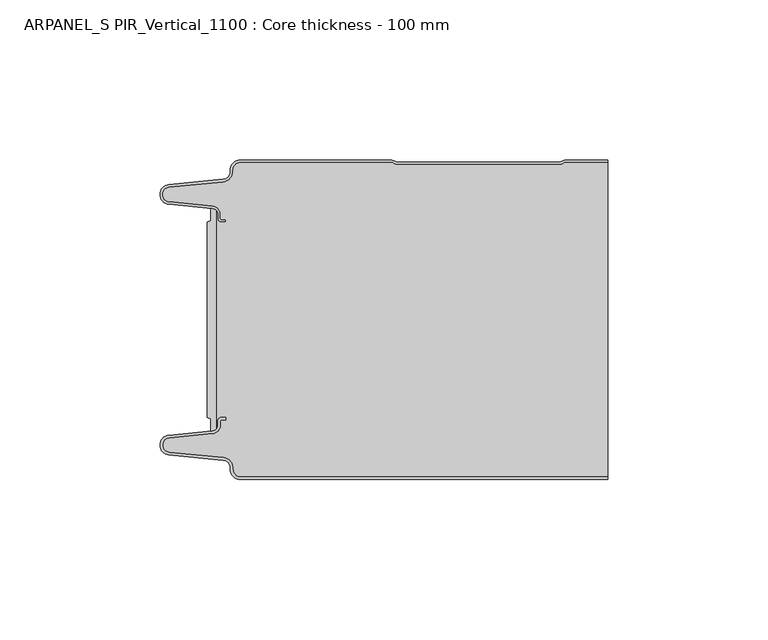
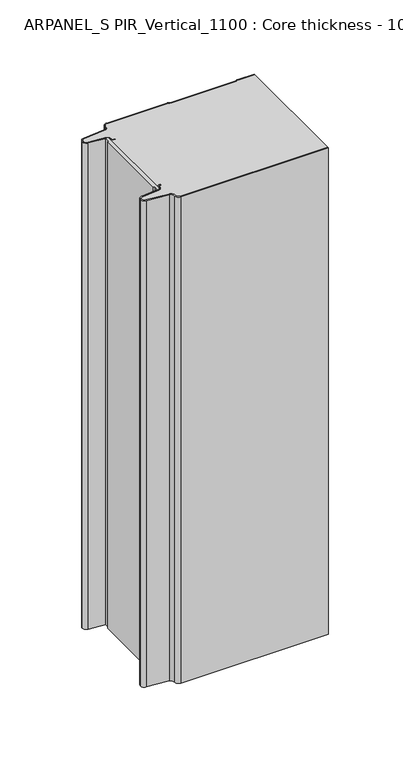
"""IFC4 building model written with IfcOpenShell, lengths in millimetres: plate geometry, ARPANEL_S PIR_Vertical_1100 : Core thickness - 100 mm."""

from ifc_helpers import new_model, si_unit, point, frame, frame_2d, origin, origin_with_axes, place, context, project, spatial, polyline, circle_curve, trimmed, segment, composite_curve, outline, extrude, source, transform, mapped, element, save
from ifc_brep_helpers import plane_surface, cylinder_surface, revolved_surface, advanced_brep


def arpanel_s_pir_vertical_1100_core_thickness_100_mm_d10c40ad(model_context):
    return source(origin(), model_context, "Body", "SolidModel", [
        extrude(outline(composite_curve([segment(polyline([(-55.2854621, -19.4639745), (-54.0682893, -19.0209598), (-54.0682893, -15.20918)]), True, "CONTINUOUS"), segment(trimmed(circle_curve(frame_2d((-53.9194754, -17.302662)), 2.0987645), [point((-54.0682893, -15.20918))], [point((-52.4659308, -15.7887199))], False, "CARTESIAN"), True, "CONTINUOUS"), segment(polyline([(-52.4659308, -15.7887199), (-52.4659308, -84.2112801)]), True, "CONTINUOUS"), segment(trimmed(circle_curve(frame_2d((-53.9194754, -82.697338)), 2.0987645), [point((-52.4659308, -84.2112801))], [point((-54.0682893, -84.79082))], False, "CARTESIAN"), True, "CONTINUOUS"), segment(polyline([(-54.0682893, -84.79082), (-54.0682893, -80.9790402), (-55.2854621, -80.5360255), (-55.2854621, -19.4639745)]), True, "CONTINUOUS")], self_intersect=False)), origin_with_axes(), (0.0, 0.0, 1.0), 400.0),
        advanced_brep(
        [(-44.8000003, -99.9996949, 0.0), (-47.9923632, -96.5787437, 0.0), (-50.2560431, -93.9171154, 0.0), (-67.2115315, -92.2546153, 0.0), (-69.9999998, -89.1776715, 0.0), (-67.2115315, -86.1007278, 0.0), (-53.6195785, -84.7680252, 0.0), (-51.9952277, -82.9766159, 0.0), (-51.9952277, -81.8996949, 0.0), (-50.5952277, -80.4996949, 0.0), (-49.4952277, -80.4996949, 0.0), (-49.4952277, -81.2996949, 0.0), (-50.5952277, -81.2996949, 0.0), (-51.1952277, -81.8996949, 0.0), (-51.1952277, -82.9766159, 0.0), (-53.5415122, -85.5642071, 0.0), (-67.1334652, -86.8969097, 0.0), (-69.1999997, -89.1776715, 0.0), (-67.1334652, -91.4584333, 0.0), (-50.1779767, -93.1209335, 0.0), (-47.2078761, -96.6330399, 0.0), (-44.8000003, -99.1996949, 0.0), (69.9999998, -99.2, 0.0), (69.9999998, -99.9996949, 0.0), (-44.8000003, -99.1996949, 400.0), (-47.1942724, -96.6339815, 400.0), (-50.1779767, -93.1209335, 400.0), (-67.1334652, -91.4584333, 400.0), (-69.1999997, -89.1776715, 400.0), (-67.1334652, -86.8969097, 400.0), (-53.5415122, -85.5642071, 400.0), (-51.1952277, -82.9766159, 400.0), (-51.1952277, -81.8996949, 400.0), (-50.5952277, -81.2996949, 400.0), (-49.4952277, -81.2996949, 400.0), (-49.4952277, -80.4996949, 400.0), (-50.5952277, -80.4996949, 400.0), (-51.9952277, -81.8996949, 400.0), (-51.9952277, -82.9766159, 400.0), (-53.6195785, -84.7680252, 400.0), (-67.2115315, -86.1007278, 400.0), (-69.9999998, -89.1776715, 400.0), (-67.2115315, -92.2546153, 400.0), (-50.2560431, -93.9171154, 400.0), (-48.0059668, -96.5778021, 400.0), (-44.8000003, -99.9996949, 400.0), (69.9999998, -99.9996949, 400.0), (69.9999998, -99.2, 400.0)],
        [
            (0, 1, circle_curve(frame((-44.8000003, -96.7996949, 0.0), z_axis=(0.0, 0.0, -1.0), x_axis=(1.0, 0.0, 0.0)), 3.2)),
            (1, 2, circle_curve(frame((-50.5000003, -96.4051839, 0.0), z_axis=(0.0, 0.0, 1.0), x_axis=(1.0, 0.0, 0.0)), 2.5)),
            (2, 3),
            (3, 4, circle_curve(frame((-66.9100003, -89.1793626, 0.0), z_axis=(0.0, 0.0, -1.0), x_axis=(1.0, 0.0, 0.0)), 3.09)),
            (4, 5, circle_curve(frame((-66.9100003, -89.1759805, 0.0), z_axis=(0.0, 0.0, -1.0), x_axis=(1.0, 0.0, 0.0)), 3.09)),
            (5, 6),
            (6, 7, circle_curve(frame((-53.7952277, -82.9766159, 0.0), z_axis=(0.0, 0.0, 1.0), x_axis=(1.0, 0.0, 0.0)), 1.8)),
            (7, 8),
            (8, 9, circle_curve(frame((-50.5952277, -81.8996949, 0.0), z_axis=(0.0, 0.0, -1.0), x_axis=(1.0, 0.0, 0.0)), 1.4)),
            (9, 10),
            (10, 11),
            (11, 12),
            (12, 13, circle_curve(frame((-50.5952277, -81.8996949, 0.0), z_axis=(0.0, 0.0, 1.0), x_axis=(1.0, 0.0, 0.0)), 0.6)),
            (13, 14),
            (14, 15, circle_curve(frame((-53.7952277, -82.9766159, 0.0), z_axis=(0.0, 0.0, -1.0), x_axis=(1.0, 0.0, 0.0)), 2.6)),
            (15, 16),
            (16, 17, circle_curve(frame((-66.9100003, -89.1759805, 0.0), z_axis=(0.0, 0.0, 1.0), x_axis=(1.0, 0.0, 0.0)), 2.29)),
            (17, 18, circle_curve(frame((-66.9100003, -89.1793626, 0.0), z_axis=(0.0, 0.0, 1.0), x_axis=(1.0, 0.0, 0.0)), 2.29)),
            (18, 19),
            (19, 20, circle_curve(frame((-50.5000003, -96.4051839, 0.0), z_axis=(0.0, 0.0, -1.0), x_axis=(1.0, 0.0, 0.0)), 3.3)),
            (20, 21, circle_curve(frame((-44.8000003, -96.7996949, 0.0), z_axis=(0.0, 0.0, 1.0), x_axis=(1.0, 0.0, 0.0)), 2.4)),
            (21, 22),
            (22, 23),
            (23, 0),
            (24, 25, circle_curve(frame((-44.8000003, -96.7996949, 400.0), z_axis=(0.0, 0.0, -1.0), x_axis=(1.0, 0.0, 0.0)), 2.4)),
            (25, 26, circle_curve(frame((-50.5000003, -96.4051839, 400.0), z_axis=(0.0, 0.0, 1.0), x_axis=(1.0, 0.0, 0.0)), 3.3)),
            (26, 27),
            (27, 28, circle_curve(frame((-66.9100003, -89.1793626, 400.0), z_axis=(0.0, 0.0, -1.0), x_axis=(1.0, 0.0, 0.0)), 2.29)),
            (28, 29, circle_curve(frame((-66.9100003, -89.1759805, 400.0), z_axis=(0.0, 0.0, -1.0), x_axis=(1.0, 0.0, 0.0)), 2.29)),
            (29, 30),
            (30, 31, circle_curve(frame((-53.7952277, -82.9766159, 400.0), z_axis=(0.0, 0.0, 1.0), x_axis=(1.0, 0.0, 0.0)), 2.6)),
            (31, 32),
            (32, 33, circle_curve(frame((-50.5952277, -81.8996949, 400.0), z_axis=(0.0, 0.0, -1.0), x_axis=(1.0, 0.0, 0.0)), 0.6)),
            (33, 34),
            (34, 35),
            (35, 36),
            (36, 37, circle_curve(frame((-50.5952277, -81.8996949, 400.0), z_axis=(0.0, 0.0, 1.0), x_axis=(1.0, 0.0, 0.0)), 1.4)),
            (37, 38),
            (38, 39, circle_curve(frame((-53.7952277, -82.9766159, 400.0), z_axis=(0.0, 0.0, -1.0), x_axis=(1.0, 0.0, 0.0)), 1.8)),
            (39, 40),
            (40, 41, circle_curve(frame((-66.9100003, -89.1759805, 400.0), z_axis=(0.0, 0.0, 1.0), x_axis=(1.0, 0.0, 0.0)), 3.09)),
            (41, 42, circle_curve(frame((-66.9100003, -89.1793626, 400.0), z_axis=(0.0, 0.0, 1.0), x_axis=(1.0, 0.0, 0.0)), 3.09)),
            (42, 43),
            (43, 44, circle_curve(frame((-50.5000003, -96.4051839, 400.0), z_axis=(0.0, 0.0, -1.0), x_axis=(1.0, 0.0, 0.0)), 2.5)),
            (44, 45, circle_curve(frame((-44.8000003, -96.7996949, 400.0), z_axis=(0.0, 0.0, 1.0), x_axis=(1.0, 0.0, 0.0)), 3.2)),
            (45, 46),
            (46, 47),
            (47, 24),
            (21, 24),
            (47, 22),
            (20, 25),
            (19, 26),
            (18, 27),
            (17, 28),
            (16, 29),
            (15, 30),
            (14, 31),
            (13, 32),
            (12, 33),
            (11, 34),
            (10, 35),
            (9, 36),
            (8, 37),
            (7, 38),
            (6, 39),
            (5, 40),
            (4, 41),
            (3, 42),
            (2, 43),
            (1, 44),
            (0, 45),
            (23, 46),
        ],
        [
            plane_surface(frame((-69.9999998, -100.0, 0.0), z_axis=(0.0, 0.0, -1.0), x_axis=(0.0, 1.0, 0.0))),
            plane_surface(frame((-69.9999998, -100.0, 400.0), z_axis=(0.0, 0.0, 1.0), x_axis=(0.0, 1.0, 0.0))),
            plane_surface(frame((-44.8000003, -99.2, 0.0), z_axis=(0.0, 1.0, 0.0), x_axis=(0.0, 0.0, 1.0))),
            revolved_surface(polyline([(-42.4000003, -96.7996949, 400.0), (-42.4000003, -96.7996949, 0.0)]), (-44.8000003, -96.7996949, 0.0), (0.0, 0.0, 1.0)),
            cylinder_surface(frame((-50.5000003, -96.4051839, 0.0), z_axis=(0.0, 0.0, -1.0), x_axis=(1.0, 0.0, 0.0)), 3.3),
            plane_surface(frame((-67.1334652, -91.4584333, 0.0), z_axis=(0.09758289975914758, 0.9952273999818314, 0.0), x_axis=(0.0, 0.0, 1.0))),
            revolved_surface(polyline([(-64.62000029999999, -89.1793626, 400.0), (-64.62000029999999, -89.1793626, 0.0)]), (-66.9100003, -89.1793626, 0.0), (0.0, 0.0, 1.0)),
            revolved_surface(polyline([(-64.62000029999999, -89.1759805, 400.0), (-64.62000029999999, -89.1759805, 0.0)]), (-66.9100003, -89.1759805, 0.0), (0.0, 0.0, 1.0)),
            plane_surface(frame((-53.5415122, -85.5642071, 0.0), z_axis=(0.09758289975914383, -0.9952273999818317, 0.0), x_axis=(0.0, 0.0, 1.0))),
            cylinder_surface(frame((-53.7952277, -82.9766159, 0.0), z_axis=(0.0, 0.0, -1.0), x_axis=(1.0, 0.0, 0.0)), 2.6),
            plane_surface(frame((-51.1952277, -81.8996949, 0.0), z_axis=(1.0, 0.0, 0.0), x_axis=(0.0, 0.0, 1.0))),
            revolved_surface(polyline([(-49.9952277, -81.8996949, 400.0), (-49.9952277, -81.8996949, 0.0)]), (-50.5952277, -81.8996949, 0.0), (0.0, 0.0, 1.0)),
            plane_surface(frame((-49.4952277, -81.2996949, 0.0), z_axis=(0.0, -1.0, 0.0), x_axis=(0.0, 0.0, 1.0))),
            plane_surface(frame((-49.4952277, -80.4996949, 0.0), z_axis=(1.0, 0.0, 0.0), x_axis=(0.0, 0.0, 1.0))),
            plane_surface(frame((-50.5952277, -80.4996949, 0.0), z_axis=(0.0, 1.0, 0.0), x_axis=(0.0, 0.0, 1.0))),
            cylinder_surface(frame((-50.5952277, -81.8996949, 0.0), z_axis=(0.0, 0.0, -1.0), x_axis=(1.0, 0.0, 0.0)), 1.4),
            plane_surface(frame((-51.9952277, -82.9766159, 0.0), z_axis=(-1.0, 0.0, 0.0), x_axis=(0.0, 0.0, 1.0))),
            revolved_surface(polyline([(-51.9952277, -82.9766159, 400.0), (-51.9952277, -82.9766159, 0.0)]), (-53.7952277, -82.9766159, 0.0), (0.0, 0.0, 1.0)),
            plane_surface(frame((-67.2115315, -86.1007278, 0.0), z_axis=(-0.09758289975914387, 0.9952273999818317, 0.0), x_axis=(0.0, 0.0, 1.0))),
            cylinder_surface(frame((-66.9100003, -89.1759805, 0.0), z_axis=(0.0, 0.0, -1.0), x_axis=(1.0, 0.0, 0.0)), 3.09),
            cylinder_surface(frame((-66.9100003, -89.1793626, 0.0), z_axis=(0.0, 0.0, -1.0), x_axis=(1.0, 0.0, 0.0)), 3.09),
            plane_surface(frame((-50.2560431, -93.9171154, 0.0), z_axis=(-0.09758289975914762, -0.9952273999818314, 0.0), x_axis=(0.0, 0.0, 1.0))),
            revolved_surface(polyline([(-48.0000003, -96.4051839, 400.0), (-48.0000003, -96.4051839, 0.0)]), (-50.5000003, -96.4051839, 0.0), (0.0, 0.0, 1.0)),
            cylinder_surface(frame((-44.8000003, -96.7996949, 0.0), z_axis=(0.0, 0.0, -1.0), x_axis=(1.0, 0.0, 0.0)), 3.2),
            plane_surface(frame((1046.009932, -99.9996949, 0.0), z_axis=(0.0, -1.0, 0.0), x_axis=(0.0, 0.0, 1.0))),
            plane_surface(frame((69.9999998, 180.0, 400.0), z_axis=(1.0, 0.0, 0.0), x_axis=(0.0, 0.0, -1.0))),
        ],
        [
            (0, [[1, 2, 3, 4, 5, 6, 7, 8, 9, 10, 11, 12, 13, 14, 15, 16, 17, 18, 19, 20, 21, 22, 23, 24]]),
            (1, [[25, 26, 27, 28, 29, 30, 31, 32, 33, 34, 35, 36, 37, 38, 39, 40, 41, 42, 43, 44, 45, 46, 47, 48]]),
            (2, [[49, -48, 50, -22]]),
            (3, [[-21, 51, -25, -49]]),
            (4, [[-20, 52, -26, -51]]),
            (5, [[-19, 53, -27, -52]]),
            (6, [[-18, 54, -28, -53]]),
            (7, [[-17, 55, -29, -54]]),
            (8, [[-16, 56, -30, -55]]),
            (9, [[-15, 57, -31, -56]]),
            (10, [[-14, 58, -32, -57]]),
            (11, [[-13, 59, -33, -58]]),
            (12, [[-12, 60, -34, -59]]),
            (13, [[-11, 61, -35, -60]]),
            (14, [[-10, 62, -36, -61]]),
            (15, [[-9, 63, -37, -62]]),
            (16, [[-8, 64, -38, -63]]),
            (17, [[-7, 65, -39, -64]]),
            (18, [[-6, 66, -40, -65]]),
            (19, [[-5, 67, -41, -66]]),
            (20, [[-4, 68, -42, -67]]),
            (21, [[-3, 69, -43, -68]]),
            (22, [[-2, 70, -44, -69]]),
            (23, [[-1, 71, -45, -70]]),
            (24, [[-71, -24, 72, -46]]),
            (25, [[-23, -50, -47, -72]]),
        ],
    ),
        advanced_brep(
        [(-51.9952277, -17.0233841, 400.0), (-52.4671027, -15.8084422, 400.0), (-52.4671027, -84.1915578, 400.0), (-51.9952277, -82.9766159, 400.0), (-51.9952277, -81.8996949, 400.0), (-50.5952277, -80.4996949, 400.0), (-49.4952277, -80.4996949, 400.0), (-49.4952277, -81.2996949, 400.0), (-50.5952277, -81.2996949, 400.0), (-51.1952277, -81.8996949, 400.0), (-51.1952277, -82.9766159, 400.0), (-53.5415122, -85.5642071, 400.0), (-67.1334652, -86.8969097, 400.0), (-69.1999997, -89.1776715, 400.0), (-67.1334652, -91.4584333, 400.0), (-50.1779767, -93.1209335, 400.0), (-47.2078761, -96.6330399, 400.0), (-44.8000003, -99.1996949, 400.0), (69.9999998, -99.2, 400.0), (69.9999998, -0.8, 400.0), (57.0487965, -0.8, 400.0), (55.9973806, -1.0986697, 400.0), (54.5769997, -1.5003051, 400.0), (4.4172165, -1.5003051, 400.0), (2.9978051, -1.0971009, 400.0), (1.9454197, -0.8, 400.0), (-44.8000003, -0.8, 400.0), (-47.1942724, -3.3660185, 400.0), (-50.1779767, -6.8790665, 400.0), (-67.1334652, -8.5415667, 400.0), (-69.1999997, -10.8223285, 400.0), (-67.1334652, -13.1030903, 400.0), (-53.5415122, -14.4357929, 400.0), (-51.1952277, -17.0233841, 400.0), (-51.1952277, -18.1003051, 400.0), (-50.5952277, -18.7003051, 400.0), (-49.4952277, -18.7003051, 400.0), (-49.4952277, -19.5003051, 400.0), (-50.5952277, -19.5003051, 400.0), (-51.9952277, -18.1003051, 400.0), (-52.4671027, -15.8084422, 0.0), (-51.9952277, -17.0233841, 0.0), (-51.9952277, -18.1003051, 0.0), (-50.5952277, -19.5003051, 0.0), (-49.4952277, -19.5003051, 0.0), (-49.4952277, -18.7003051, 0.0), (-50.5952277, -18.7003051, 0.0), (-51.1952277, -18.1003051, 0.0), (-51.1952277, -17.0233841, 0.0), (-53.5415122, -14.4357929, 0.0), (-67.1334652, -13.1030903, 0.0), (-69.1999997, -10.8223285, 0.0), (-67.1334652, -8.5415667, 0.0), (-50.1779767, -6.8790665, 0.0), (-47.2078761, -3.3669601, 0.0), (-44.8000003, -0.8003051, 0.0), (1.9454197, -0.8, 0.0), (2.9968355, -1.0986697, 0.0), (4.4172165, -1.5003051, 0.0), (54.5769997, -1.5003051, 0.0), (55.9964111, -1.0971009, 0.0), (57.0487965, -0.8, 0.0), (69.9999998, -0.8, 0.0), (69.9999998, -99.2, 0.0), (-44.8000003, -99.2, 0.0), (-47.1942724, -96.6339815, 0.0), (-50.1779767, -93.1209335, 0.0), (-67.1334652, -91.4584333, 0.0), (-69.1999997, -89.1776715, 0.0), (-67.1334652, -86.8969097, 0.0), (-53.5415122, -85.5642071, 0.0), (-51.1952277, -82.9766159, 0.0), (-51.1952277, -81.8996949, 0.0), (-50.5952277, -81.2996949, 0.0), (-49.4952277, -81.2996949, 0.0), (-49.4952277, -80.4996949, 0.0), (-50.5952277, -80.4996949, 0.0), (-51.9952277, -81.8996949, 0.0), (-51.9952277, -82.9766159, 0.0), (-52.4671027, -84.1915578, 0.0)],
        [
            (0, 1, circle_curve(frame((-53.7952277, -17.0233841, 400.0), z_axis=(0.0, 0.0, 1.0), x_axis=(1.0, 0.0, 0.0)), 1.8)),
            (1, 2),
            (2, 3, circle_curve(frame((-53.7952277, -82.9766159, 400.0), z_axis=(0.0, 0.0, 1.0), x_axis=(1.0, 0.0, 0.0)), 1.8)),
            (3, 4),
            (4, 5, circle_curve(frame((-50.5952277, -81.8996949, 400.0), z_axis=(0.0, 0.0, -1.0), x_axis=(1.0, 0.0, 0.0)), 1.4)),
            (5, 6),
            (6, 7),
            (7, 8),
            (8, 9, circle_curve(frame((-50.5952277, -81.8996949, 400.0), z_axis=(0.0, 0.0, 1.0), x_axis=(1.0, 0.0, 0.0)), 0.6)),
            (9, 10),
            (10, 11, circle_curve(frame((-53.7952277, -82.9766159, 400.0), z_axis=(0.0, 0.0, -1.0), x_axis=(1.0, 0.0, 0.0)), 2.6)),
            (11, 12),
            (12, 13, circle_curve(frame((-66.9100003, -89.1759805, 400.0), z_axis=(0.0, 0.0, 1.0), x_axis=(1.0, 0.0, 0.0)), 2.29)),
            (13, 14, circle_curve(frame((-66.9100003, -89.1793626, 400.0), z_axis=(0.0, 0.0, 1.0), x_axis=(1.0, 0.0, 0.0)), 2.29)),
            (14, 15),
            (15, 16, circle_curve(frame((-50.5000003, -96.4051839, 400.0), z_axis=(0.0, 0.0, -1.0), x_axis=(1.0, 0.0, 0.0)), 3.3)),
            (16, 17, circle_curve(frame((-44.8000003, -96.7996949, 400.0), z_axis=(0.0, 0.0, 1.0), x_axis=(1.0, 0.0, 0.0)), 2.4)),
            (17, 18),
            (18, 19),
            (19, 20),
            (20, 21, circle_curve(frame((57.0487965, -2.8, 400.0), z_axis=(0.0, 0.0, 1.0), x_axis=(1.0, 0.0, 0.0)), 2.0)),
            (21, 22, circle_curve(frame((54.5769997, 1.1996949, 400.0), z_axis=(0.0, 0.0, -1.0), x_axis=(1.0, 0.0, 0.0)), 2.7)),
            (22, 23),
            (23, 24, circle_curve(frame((4.4172165, 1.1996949, 400.0), z_axis=(0.0, 0.0, -1.0), x_axis=(1.0, 0.0, 0.0)), 2.7)),
            (24, 25, circle_curve(frame((1.9454197, -2.8, 400.0), z_axis=(0.0, 0.0, 1.0), x_axis=(1.0, 0.0, 0.0)), 2.0)),
            (25, 26),
            (26, 27, circle_curve(frame((-44.8000003, -3.2003051, 400.0), z_axis=(0.0, 0.0, 1.0), x_axis=(1.0, 0.0, 0.0)), 2.4)),
            (27, 28, circle_curve(frame((-50.5000003, -3.5948161, 400.0), z_axis=(0.0, 0.0, -1.0), x_axis=(1.0, 0.0, 0.0)), 3.3)),
            (28, 29),
            (29, 30, circle_curve(frame((-66.9100003, -10.8206374, 400.0), z_axis=(0.0, 0.0, 1.0), x_axis=(1.0, 0.0, 0.0)), 2.29)),
            (30, 31, circle_curve(frame((-66.9100003, -10.8240195, 400.0), z_axis=(0.0, 0.0, 1.0), x_axis=(1.0, 0.0, 0.0)), 2.29)),
            (31, 32),
            (32, 33, circle_curve(frame((-53.7952277, -17.0233841, 400.0), z_axis=(0.0, 0.0, -1.0), x_axis=(1.0, 0.0, 0.0)), 2.6)),
            (33, 34),
            (34, 35, circle_curve(frame((-50.5952277, -18.1003051, 400.0), z_axis=(0.0, 0.0, 1.0), x_axis=(1.0, 0.0, 0.0)), 0.6)),
            (35, 36),
            (36, 37),
            (37, 38),
            (38, 39, circle_curve(frame((-50.5952277, -18.1003051, 400.0), z_axis=(0.0, 0.0, -1.0), x_axis=(1.0, 0.0, 0.0)), 1.4)),
            (39, 0),
            (40, 41, circle_curve(frame((-53.7952277, -17.0233841, 0.0), z_axis=(0.0, 0.0, -1.0), x_axis=(1.0, 0.0, 0.0)), 1.8)),
            (41, 42),
            (42, 43, circle_curve(frame((-50.5952277, -18.1003051, 0.0), z_axis=(0.0, 0.0, 1.0), x_axis=(1.0, 0.0, 0.0)), 1.4)),
            (43, 44),
            (44, 45),
            (45, 46),
            (46, 47, circle_curve(frame((-50.5952277, -18.1003051, 0.0), z_axis=(0.0, 0.0, -1.0), x_axis=(1.0, 0.0, 0.0)), 0.6)),
            (47, 48),
            (48, 49, circle_curve(frame((-53.7952277, -17.0233841, 0.0), z_axis=(0.0, 0.0, 1.0), x_axis=(1.0, 0.0, 0.0)), 2.6)),
            (49, 50),
            (50, 51, circle_curve(frame((-66.9100003, -10.8240195, 0.0), z_axis=(0.0, 0.0, -1.0), x_axis=(1.0, 0.0, 0.0)), 2.29)),
            (51, 52, circle_curve(frame((-66.9100003, -10.8206374, 0.0), z_axis=(0.0, 0.0, -1.0), x_axis=(1.0, 0.0, 0.0)), 2.29)),
            (52, 53),
            (53, 54, circle_curve(frame((-50.5000003, -3.5948161, 0.0), z_axis=(0.0, 0.0, 1.0), x_axis=(1.0, 0.0, 0.0)), 3.3)),
            (54, 55, circle_curve(frame((-44.8000003, -3.2003051, 0.0), z_axis=(0.0, 0.0, -1.0), x_axis=(1.0, 0.0, 0.0)), 2.4)),
            (55, 56),
            (56, 57, circle_curve(frame((1.9454197, -2.8, 0.0), z_axis=(0.0, 0.0, -1.0), x_axis=(1.0, 0.0, 0.0)), 2.0)),
            (57, 58, circle_curve(frame((4.4172165, 1.1996949, 0.0), z_axis=(0.0, 0.0, 1.0), x_axis=(1.0, 0.0, 0.0)), 2.7)),
            (58, 59),
            (59, 60, circle_curve(frame((54.5769997, 1.1996949, 0.0), z_axis=(0.0, 0.0, 1.0), x_axis=(1.0, 0.0, 0.0)), 2.7)),
            (60, 61, circle_curve(frame((57.0487965, -2.8, 0.0), z_axis=(0.0, 0.0, -1.0), x_axis=(1.0, 0.0, 0.0)), 2.0)),
            (61, 62),
            (62, 63),
            (63, 64),
            (64, 65, circle_curve(frame((-44.8000003, -96.7996949, 0.0), z_axis=(0.0, 0.0, -1.0), x_axis=(1.0, 0.0, 0.0)), 2.4)),
            (65, 66, circle_curve(frame((-50.5000003, -96.4051839, 0.0), z_axis=(0.0, 0.0, 1.0), x_axis=(1.0, 0.0, 0.0)), 3.3)),
            (66, 67),
            (67, 68, circle_curve(frame((-66.9100003, -89.1793626, 0.0), z_axis=(0.0, 0.0, -1.0), x_axis=(1.0, 0.0, 0.0)), 2.29)),
            (68, 69, circle_curve(frame((-66.9100003, -89.1759805, 0.0), z_axis=(0.0, 0.0, -1.0), x_axis=(1.0, 0.0, 0.0)), 2.29)),
            (69, 70),
            (70, 71, circle_curve(frame((-53.7952277, -82.9766159, 0.0), z_axis=(0.0, 0.0, 1.0), x_axis=(1.0, 0.0, 0.0)), 2.6)),
            (71, 72),
            (72, 73, circle_curve(frame((-50.5952277, -81.8996949, 0.0), z_axis=(0.0, 0.0, -1.0), x_axis=(1.0, 0.0, 0.0)), 0.6)),
            (73, 74),
            (74, 75),
            (75, 76),
            (76, 77, circle_curve(frame((-50.5952277, -81.8996949, 0.0), z_axis=(0.0, 0.0, 1.0), x_axis=(1.0, 0.0, 0.0)), 1.4)),
            (77, 78),
            (78, 79, circle_curve(frame((-53.7952277, -82.9766159, 0.0), z_axis=(0.0, 0.0, -1.0), x_axis=(1.0, 0.0, 0.0)), 1.8)),
            (79, 40),
            (1, 40),
            (79, 2),
            (0, 41),
            (39, 42),
            (38, 43),
            (37, 44),
            (45, 36),
            (35, 46),
            (34, 47),
            (33, 48),
            (32, 49),
            (31, 50),
            (30, 51),
            (29, 52),
            (28, 53),
            (27, 54),
            (26, 55),
            (25, 56),
            (24, 57),
            (23, 58),
            (22, 59),
            (21, 60),
            (20, 61),
            (19, 62),
            (17, 64),
            (63, 18),
            (16, 65),
            (15, 66),
            (14, 67),
            (13, 68),
            (12, 69),
            (11, 70),
            (10, 71),
            (9, 72),
            (8, 73),
            (7, 74),
            (6, 75),
            (5, 76),
            (4, 77),
            (3, 78),
        ],
        [
            plane_surface(frame((-69.9999998, 0.0, 400.0), z_axis=(0.0, 0.0, 1.0), x_axis=(0.0, -1.0, 0.0))),
            plane_surface(frame((-69.9999998, 0.0, 0.0), z_axis=(0.0, 0.0, -1.0), x_axis=(0.0, -1.0, 0.0))),
            plane_surface(frame((-52.4671027, -14.998578, 400.0), z_axis=(-1.0, 0.0, 0.0), x_axis=(0.0, 0.0, -1.0))),
            cylinder_surface(frame((-53.7952277, -17.0233841, 530.0), z_axis=(0.0, 0.0, -1.0), x_axis=(1.0, 0.0, 0.0)), 1.8),
            plane_surface(frame((-51.9952277, -17.0233841, 530.0), z_axis=(1.0, 0.0, 0.0), x_axis=(0.0, 0.0, -1.0))),
            revolved_surface(polyline([(-49.195227700000004, -18.1003051, 400.0), (-49.195227700000004, -18.1003051, 0.0)]), (-50.5952277, -18.1003051, 530.0), (0.0, 0.0, 1.0)),
            plane_surface(frame((-50.5952277, -19.5003051, 530.0), z_axis=(0.0, 1.0, 0.0), x_axis=(0.0, 0.0, -1.0))),
            plane_surface(frame((-49.4952277, -18.7003051, 530.0), z_axis=(0.0, -1.0, 0.0), x_axis=(0.0, 0.0, -1.0))),
            cylinder_surface(frame((-50.5952277, -18.1003051, 530.0), z_axis=(0.0, 0.0, -1.0), x_axis=(1.0, 0.0, 0.0)), 0.6),
            plane_surface(frame((-51.1952277, -18.1003051, 530.0), z_axis=(-1.0, 0.0, 0.0), x_axis=(0.0, 0.0, -1.0))),
            revolved_surface(polyline([(-51.1952277, -17.0233841, 400.0), (-51.1952277, -17.0233841, 0.0)]), (-53.7952277, -17.0233841, 530.0), (0.0, 0.0, 1.0)),
            plane_surface(frame((-53.5415122, -14.4357929, 530.0), z_axis=(-0.09758289975914705, -0.9952273999818314, 0.0), x_axis=(0.0, 0.0, -1.0))),
            cylinder_surface(frame((-66.9100003, -10.8240195, 530.0), z_axis=(0.0, 0.0, -1.0), x_axis=(1.0, 0.0, 0.0)), 2.29),
            cylinder_surface(frame((-66.9100003, -10.8206374, 530.0), z_axis=(0.0, 0.0, -1.0), x_axis=(1.0, 0.0, 0.0)), 2.29),
            plane_surface(frame((-67.1334652, -8.5415667, 530.0), z_axis=(-0.09758289975914436, 0.9952273999818317, 0.0), x_axis=(0.0, 0.0, -1.0))),
            revolved_surface(polyline([(-47.200000300000006, -3.5948161, 400.0), (-47.200000300000006, -3.5948161, 0.0)]), (-50.5000003, -3.5948161, 530.0), (0.0, 0.0, 1.0)),
            cylinder_surface(frame((-44.8000003, -3.2003051, 530.0), z_axis=(0.0, 0.0, -1.0), x_axis=(1.0, 0.0, 0.0)), 2.4),
            plane_surface(frame((-44.8000003, -0.8, 530.0), z_axis=(0.0, 1.0, 0.0), x_axis=(0.0, 0.0, -1.0))),
            cylinder_surface(frame((1.9454197, -2.8, 530.0), z_axis=(0.0, 0.0, -1.0), x_axis=(1.0, 0.0, 0.0)), 2.0),
            revolved_surface(polyline([(7.1172165000000005, 1.1996949, 400.0), (7.1172165000000005, 1.1996949, 0.0)]), (4.4172165, 1.1996949, 530.0), (0.0, 0.0, 1.0)),
            plane_surface(frame((4.4172165, -1.5003051, 530.0), z_axis=(0.0, 1.0, 0.0), x_axis=(0.0, 0.0, -1.0))),
            revolved_surface(polyline([(57.276999700000005, 1.1996949, 400.0), (57.276999700000005, 1.1996949, 0.0)]), (54.5769997, 1.1996949, 530.0), (0.0, 0.0, 1.0)),
            cylinder_surface(frame((57.0487965, -2.8, 530.0), z_axis=(0.0, 0.0, -1.0), x_axis=(1.0, 0.0, 0.0)), 2.0),
            plane_surface(frame((57.0487965, -0.8, 530.0), z_axis=(0.0, 1.0, 0.0), x_axis=(0.0, 0.0, -1.0))),
            plane_surface(frame((-49.4952277, -19.5003051, 530.0), z_axis=(-1.0, 0.0, 0.0), x_axis=(0.0, 0.0, -1.0))),
            plane_surface(frame((1046.009932, -99.2, 530.0), z_axis=(0.0, -1.0, 0.0), x_axis=(0.0, 0.0, -1.0))),
            cylinder_surface(frame((-44.8000003, -96.7996949, 530.0), z_axis=(0.0, 0.0, -1.0), x_axis=(1.0, 0.0, 0.0)), 2.4),
            revolved_surface(polyline([(-47.200000300000006, -96.4051839, 400.0), (-47.200000300000006, -96.4051839, 0.0)]), (-50.5000003, -96.4051839, 530.0), (0.0, 0.0, 1.0)),
            plane_surface(frame((-50.1779767, -93.1209335, 530.0), z_axis=(-0.09758289975914758, -0.9952273999818314, 0.0), x_axis=(0.0, 0.0, -1.0))),
            cylinder_surface(frame((-66.9100003, -89.1793626, 530.0), z_axis=(0.0, 0.0, -1.0), x_axis=(1.0, 0.0, 0.0)), 2.29),
            cylinder_surface(frame((-66.9100003, -89.1759805, 530.0), z_axis=(0.0, 0.0, -1.0), x_axis=(1.0, 0.0, 0.0)), 2.29),
            plane_surface(frame((-67.1334652, -86.8969097, 530.0), z_axis=(-0.09758289975914383, 0.9952273999818317, 0.0), x_axis=(0.0, 0.0, -1.0))),
            revolved_surface(polyline([(-51.1952277, -82.9766159, 400.0), (-51.1952277, -82.9766159, 0.0)]), (-53.7952277, -82.9766159, 530.0), (0.0, 0.0, 1.0)),
            plane_surface(frame((-51.1952277, -82.9766159, 530.0), z_axis=(-1.0, 0.0, 0.0), x_axis=(0.0, 0.0, -1.0))),
            cylinder_surface(frame((-50.5952277, -81.8996949, 530.0), z_axis=(0.0, 0.0, -1.0), x_axis=(1.0, 0.0, 0.0)), 0.6),
            plane_surface(frame((-50.5952277, -81.2996949, 530.0), z_axis=(0.0, 1.0, 0.0), x_axis=(0.0, 0.0, -1.0))),
            plane_surface(frame((-49.4952277, -81.2996949, 530.0), z_axis=(-1.0, 0.0, 0.0), x_axis=(0.0, 0.0, -1.0))),
            plane_surface(frame((-49.4952277, -80.4996949, 530.0), z_axis=(0.0, -1.0, 0.0), x_axis=(0.0, 0.0, -1.0))),
            revolved_surface(polyline([(-49.195227700000004, -81.8996949, 400.0), (-49.195227700000004, -81.8996949, 0.0)]), (-50.5952277, -81.8996949, 530.0), (0.0, 0.0, 1.0)),
            plane_surface(frame((-51.9952277, -81.8996949, 530.0), z_axis=(1.0, 0.0, 0.0), x_axis=(0.0, 0.0, -1.0))),
            cylinder_surface(frame((-53.7952277, -82.9766159, 530.0), z_axis=(0.0, 0.0, -1.0), x_axis=(1.0, 0.0, 0.0)), 1.8),
            plane_surface(frame((69.9999998, 180.0, 400.0), z_axis=(1.0, 0.0, 0.0), x_axis=(0.0, 0.0, -1.0))),
        ],
        [
            (0, [[1, 2, 3, 4, 5, 6, 7, 8, 9, 10, 11, 12, 13, 14, 15, 16, 17, 18, 19, 20, 21, 22, 23, 24, 25, 26, 27, 28, 29, 30, 31, 32, 33, 34, 35, 36, 37, 38, 39, 40]]),
            (1, [[41, 42, 43, 44, 45, 46, 47, 48, 49, 50, 51, 52, 53, 54, 55, 56, 57, 58, 59, 60, 61, 62, 63, 64, 65, 66, 67, 68, 69, 70, 71, 72, 73, 74, 75, 76, 77, 78, 79, 80]]),
            (2, [[81, -80, 82, -2]]),
            (3, [[83, -41, -81, -1]]),
            (4, [[-83, -40, 84, -42]]),
            (5, [[-84, -39, 85, -43]]),
            (6, [[-85, -38, 86, -44]]),
            (7, [[87, -36, 88, -46]]),
            (8, [[-88, -35, 89, -47]]),
            (9, [[-89, -34, 90, -48]]),
            (10, [[-90, -33, 91, -49]]),
            (11, [[-91, -32, 92, -50]]),
            (12, [[-92, -31, 93, -51]]),
            (13, [[-93, -30, 94, -52]]),
            (14, [[-94, -29, 95, -53]]),
            (15, [[-95, -28, 96, -54]]),
            (16, [[-96, -27, 97, -55]]),
            (17, [[-97, -26, 98, -56]]),
            (18, [[-98, -25, 99, -57]]),
            (19, [[-99, -24, 100, -58]]),
            (20, [[-100, -23, 101, -59]]),
            (21, [[-101, -22, 102, -60]]),
            (22, [[-102, -21, 103, -61]]),
            (23, [[-103, -20, 104, -62]]),
            (24, [[-87, -45, -86, -37]]),
            (25, [[105, -64, 106, -18]]),
            (26, [[-105, -17, 107, -65]]),
            (27, [[-107, -16, 108, -66]]),
            (28, [[-108, -15, 109, -67]]),
            (29, [[-109, -14, 110, -68]]),
            (30, [[-110, -13, 111, -69]]),
            (31, [[-111, -12, 112, -70]]),
            (32, [[-112, -11, 113, -71]]),
            (33, [[-113, -10, 114, -72]]),
            (34, [[-114, -9, 115, -73]]),
            (35, [[-115, -8, 116, -74]]),
            (36, [[-116, -7, 117, -75]]),
            (37, [[-117, -6, 118, -76]]),
            (38, [[-118, -5, 119, -77]]),
            (39, [[-119, -4, 120, -78]]),
            (40, [[-120, -3, -82, -79]]),
            (41, [[-104, -19, -106, -63]]),
        ],
    ),
        advanced_brep(
        [(2.9968355, -1.0986697, 0.0), (1.9454197, -0.8, 0.0), (-44.8000003, -0.8, 0.0), (-47.1942724, -3.3660185, 0.0), (-50.1779767, -6.8790665, 0.0), (-67.1334652, -8.5415667, 0.0), (-69.1999997, -10.8223285, 0.0), (-67.1334652, -13.1030903, 0.0), (-53.5415122, -14.4357929, 0.0), (-51.1952277, -17.0233841, 0.0), (-51.1952277, -18.1003051, 0.0), (-50.5952277, -18.7003051, 0.0), (-49.4952277, -18.7003051, 0.0), (-49.4952277, -19.5003051, 0.0), (-50.5952277, -19.5003051, 0.0), (-51.9952277, -18.1003051, 0.0), (-51.9952277, -17.0233841, 0.0), (-53.6195785, -15.2319748, 0.0), (-67.2115315, -13.8992722, 0.0), (-69.9999998, -10.8223285, 0.0), (-67.2115315, -7.7453847, 0.0), (-50.2560431, -6.0828846, 0.0), (-48.0059668, -3.4221979, 0.0), (-44.8000003, -0.0003051, 0.0), (1.9454197, -0.0003051, 0.0), (3.3647528, -0.4034608, 0.0), (4.4172165, -0.7003051, 0.0), (54.5769997, -0.7003051, 0.0), (55.6283575, -0.4016712, 0.0), (57.0487965, -0.0003051, 0.0), (69.9999998, -0.0003051, 0.0), (69.9999998, -0.8, 0.0), (57.0487965, -0.8, 0.0), (55.9973806, -1.0986697, 0.0), (54.5769997, -1.5003051, 0.0), (4.4172165, -1.5003051, 0.0), (2.9978051, -1.0971009, 400.0), (4.4172165, -1.5003051, 400.0), (54.5769997, -1.5003051, 400.0), (55.9964111, -1.0971009, 400.0), (57.0487965, -0.8, 400.0), (69.9999998, -0.8, 400.0), (69.9999998, -0.0003051, 400.0), (57.0487965, -0.0003051, 400.0), (55.6294634, -0.4034608, 400.0), (54.5769997, -0.7003051, 400.0), (4.4172165, -0.7003051, 400.0), (3.3658586, -0.4016712, 400.0), (1.9454197, -0.0003051, 400.0), (-44.8000003, -0.0003051, 400.0), (-47.9923632, -3.4212563, 400.0), (-50.2560431, -6.0828846, 400.0), (-67.2115315, -7.7453847, 400.0), (-69.9999998, -10.8223285, 400.0), (-67.2115315, -13.8992722, 400.0), (-53.6195785, -15.2319748, 400.0), (-51.9952277, -17.0233841, 400.0), (-51.9952277, -18.1003051, 400.0), (-50.5952277, -19.5003051, 400.0), (-49.4952277, -19.5003051, 400.0), (-49.4952277, -18.7003051, 400.0), (-50.5952277, -18.7003051, 400.0), (-51.1952277, -18.1003051, 400.0), (-51.1952277, -17.0233841, 400.0), (-53.5415122, -14.4357929, 400.0), (-67.1334652, -13.1030903, 400.0), (-69.1999997, -10.8223285, 400.0), (-67.1334652, -8.5415667, 400.0), (-50.1779767, -6.8790665, 400.0), (-47.2078761, -3.3669601, 400.0), (-44.8000003, -0.8003051, 400.0), (1.9454197, -0.8, 400.0)],
        [
            (0, 1, circle_curve(frame((1.9454197, -2.8, 0.0), z_axis=(0.0, 0.0, 1.0), x_axis=(1.0, 0.0, 0.0)), 2.0)),
            (1, 2),
            (2, 3, circle_curve(frame((-44.8000003, -3.2003051, 0.0), z_axis=(0.0, 0.0, 1.0), x_axis=(1.0, 0.0, 0.0)), 2.4)),
            (3, 4, circle_curve(frame((-50.5000003, -3.5948161, 0.0), z_axis=(0.0, 0.0, -1.0), x_axis=(1.0, 0.0, 0.0)), 3.3)),
            (4, 5),
            (5, 6, circle_curve(frame((-66.9100003, -10.8206374, 0.0), z_axis=(0.0, 0.0, 1.0), x_axis=(1.0, 0.0, 0.0)), 2.29)),
            (6, 7, circle_curve(frame((-66.9100003, -10.8240195, 0.0), z_axis=(0.0, 0.0, 1.0), x_axis=(1.0, 0.0, 0.0)), 2.29)),
            (7, 8),
            (8, 9, circle_curve(frame((-53.7952277, -17.0233841, 0.0), z_axis=(0.0, 0.0, -1.0), x_axis=(1.0, 0.0, 0.0)), 2.6)),
            (9, 10),
            (10, 11, circle_curve(frame((-50.5952277, -18.1003051, 0.0), z_axis=(0.0, 0.0, 1.0), x_axis=(1.0, 0.0, 0.0)), 0.6)),
            (11, 12),
            (12, 13),
            (13, 14),
            (14, 15, circle_curve(frame((-50.5952277, -18.1003051, 0.0), z_axis=(0.0, 0.0, -1.0), x_axis=(1.0, 0.0, 0.0)), 1.4)),
            (15, 16),
            (16, 17, circle_curve(frame((-53.7952277, -17.0233841, 0.0), z_axis=(0.0, 0.0, 1.0), x_axis=(1.0, 0.0, 0.0)), 1.8)),
            (17, 18),
            (18, 19, circle_curve(frame((-66.9100003, -10.8240195, 0.0), z_axis=(0.0, 0.0, -1.0), x_axis=(1.0, 0.0, 0.0)), 3.09)),
            (19, 20, circle_curve(frame((-66.9100003, -10.8206374, 0.0), z_axis=(0.0, 0.0, -1.0), x_axis=(1.0, 0.0, 0.0)), 3.09)),
            (20, 21),
            (21, 22, circle_curve(frame((-50.5000003, -3.5948161, 0.0), z_axis=(0.0, 0.0, 1.0), x_axis=(1.0, 0.0, 0.0)), 2.5)),
            (22, 23, circle_curve(frame((-44.8000003, -3.2003051, 0.0), z_axis=(0.0, 0.0, -1.0), x_axis=(1.0, 0.0, 0.0)), 3.2)),
            (23, 24),
            (24, 25, circle_curve(frame((1.9454197, -2.7003051, 0.0), z_axis=(0.0, 0.0, -1.0), x_axis=(1.0, 0.0, 0.0)), 2.7)),
            (25, 26, circle_curve(frame((4.4172165, 1.2996949, 0.0), z_axis=(0.0, 0.0, 1.0), x_axis=(1.0, 0.0, 0.0)), 2.0)),
            (26, 27),
            (27, 28, circle_curve(frame((54.5769997, 1.2996949, 0.0), z_axis=(0.0, 0.0, 1.0), x_axis=(1.0, 0.0, 0.0)), 2.0)),
            (28, 29, circle_curve(frame((57.0487965, -2.7003051, 0.0), z_axis=(0.0, 0.0, -1.0), x_axis=(1.0, 0.0, 0.0)), 2.7)),
            (29, 30),
            (30, 31),
            (31, 32),
            (32, 33, circle_curve(frame((57.0487965, -2.8, 0.0), z_axis=(0.0, 0.0, 1.0), x_axis=(1.0, 0.0, 0.0)), 2.0)),
            (33, 34, circle_curve(frame((54.5769997, 1.1996949, 0.0), z_axis=(0.0, 0.0, -1.0), x_axis=(1.0, 0.0, 0.0)), 2.7)),
            (34, 35),
            (35, 0, circle_curve(frame((4.4172165, 1.1996949, 0.0), z_axis=(0.0, 0.0, -1.0), x_axis=(1.0, 0.0, 0.0)), 2.7)),
            (36, 37, circle_curve(frame((4.4172165, 1.1996949, 400.0), z_axis=(0.0, 0.0, 1.0), x_axis=(1.0, 0.0, 0.0)), 2.7)),
            (37, 38),
            (38, 39, circle_curve(frame((54.5769997, 1.1996949, 400.0), z_axis=(0.0, 0.0, 1.0), x_axis=(1.0, 0.0, 0.0)), 2.7)),
            (39, 40, circle_curve(frame((57.0487965, -2.8, 400.0), z_axis=(0.0, 0.0, -1.0), x_axis=(1.0, 0.0, 0.0)), 2.0)),
            (40, 41),
            (41, 42),
            (42, 43),
            (43, 44, circle_curve(frame((57.0487965, -2.7003051, 400.0), z_axis=(0.0, 0.0, 1.0), x_axis=(1.0, 0.0, 0.0)), 2.7)),
            (44, 45, circle_curve(frame((54.5769997, 1.2996949, 400.0), z_axis=(0.0, 0.0, -1.0), x_axis=(1.0, 0.0, 0.0)), 2.0)),
            (45, 46),
            (46, 47, circle_curve(frame((4.4172165, 1.2996949, 400.0), z_axis=(0.0, 0.0, -1.0), x_axis=(1.0, 0.0, 0.0)), 2.0)),
            (47, 48, circle_curve(frame((1.9454197, -2.7003051, 400.0), z_axis=(0.0, 0.0, 1.0), x_axis=(1.0, 0.0, 0.0)), 2.7)),
            (48, 49),
            (49, 50, circle_curve(frame((-44.8000003, -3.2003051, 400.0), z_axis=(0.0, 0.0, 1.0), x_axis=(1.0, 0.0, 0.0)), 3.2)),
            (50, 51, circle_curve(frame((-50.5000003, -3.5948161, 400.0), z_axis=(0.0, 0.0, -1.0), x_axis=(1.0, 0.0, 0.0)), 2.5)),
            (51, 52),
            (52, 53, circle_curve(frame((-66.9100003, -10.8206374, 400.0), z_axis=(0.0, 0.0, 1.0), x_axis=(1.0, 0.0, 0.0)), 3.09)),
            (53, 54, circle_curve(frame((-66.9100003, -10.8240195, 400.0), z_axis=(0.0, 0.0, 1.0), x_axis=(1.0, 0.0, 0.0)), 3.09)),
            (54, 55),
            (55, 56, circle_curve(frame((-53.7952277, -17.0233841, 400.0), z_axis=(0.0, 0.0, -1.0), x_axis=(1.0, 0.0, 0.0)), 1.8)),
            (56, 57),
            (57, 58, circle_curve(frame((-50.5952277, -18.1003051, 400.0), z_axis=(0.0, 0.0, 1.0), x_axis=(1.0, 0.0, 0.0)), 1.4)),
            (58, 59),
            (59, 60),
            (60, 61),
            (61, 62, circle_curve(frame((-50.5952277, -18.1003051, 400.0), z_axis=(0.0, 0.0, -1.0), x_axis=(1.0, 0.0, 0.0)), 0.6)),
            (62, 63),
            (63, 64, circle_curve(frame((-53.7952277, -17.0233841, 400.0), z_axis=(0.0, 0.0, 1.0), x_axis=(1.0, 0.0, 0.0)), 2.6)),
            (64, 65),
            (65, 66, circle_curve(frame((-66.9100003, -10.8240195, 400.0), z_axis=(0.0, 0.0, -1.0), x_axis=(1.0, 0.0, 0.0)), 2.29)),
            (66, 67, circle_curve(frame((-66.9100003, -10.8206374, 400.0), z_axis=(0.0, 0.0, -1.0), x_axis=(1.0, 0.0, 0.0)), 2.29)),
            (67, 68),
            (68, 69, circle_curve(frame((-50.5000003, -3.5948161, 400.0), z_axis=(0.0, 0.0, 1.0), x_axis=(1.0, 0.0, 0.0)), 3.3)),
            (69, 70, circle_curve(frame((-44.8000003, -3.2003051, 400.0), z_axis=(0.0, 0.0, -1.0), x_axis=(1.0, 0.0, 0.0)), 2.4)),
            (70, 71),
            (71, 36, circle_curve(frame((1.9454197, -2.8, 400.0), z_axis=(0.0, 0.0, -1.0), x_axis=(1.0, 0.0, 0.0)), 2.0)),
            (0, 36),
            (71, 1),
            (70, 2),
            (69, 3),
            (68, 4),
            (67, 5),
            (66, 6),
            (65, 7),
            (64, 8),
            (63, 9),
            (62, 10),
            (61, 11),
            (60, 12),
            (59, 13),
            (58, 14),
            (57, 15),
            (56, 16),
            (55, 17),
            (54, 18),
            (53, 19),
            (52, 20),
            (51, 21),
            (50, 22),
            (49, 23),
            (48, 24),
            (47, 25),
            (46, 26),
            (45, 27),
            (44, 28),
            (43, 29),
            (42, 30),
            (40, 32),
            (31, 41),
            (39, 33),
            (38, 34),
            (37, 35),
        ],
        [
            plane_surface(frame((-69.9999998, 0.0, 0.0), z_axis=(0.0, 0.0, -1.0), x_axis=(0.0, -1.0, 0.0))),
            plane_surface(frame((-69.9999998, 0.0, 400.0), z_axis=(0.0, 0.0, 1.0), x_axis=(0.0, -1.0, 0.0))),
            revolved_surface(polyline([(3.9454197, -2.8, 400.0), (3.9454197, -2.8, 0.0)]), (1.9454197, -2.8, 0.0), (0.0, 0.0, 1.0)),
            plane_surface(frame((1.9454197, -0.8, 0.0), z_axis=(0.0, -1.0, 0.0), x_axis=(0.0, 0.0, 1.0))),
            revolved_surface(polyline([(-42.4000003, -3.2003051, 400.0), (-42.4000003, -3.2003051, 0.0)]), (-44.8000003, -3.2003051, 0.0), (0.0, 0.0, 1.0)),
            cylinder_surface(frame((-50.5000003, -3.5948161, 0.0), z_axis=(0.0, 0.0, -1.0), x_axis=(1.0, 0.0, 0.0)), 3.3),
            plane_surface(frame((-50.1779767, -6.8790665, 0.0), z_axis=(0.09758289975914113, -0.9952273999818321, 0.0), x_axis=(0.0, 0.0, 1.0))),
            revolved_surface(polyline([(-64.62000029999999, -10.8206374, 400.0), (-64.62000029999999, -10.8206374, 0.0)]), (-66.9100003, -10.8206374, 0.0), (0.0, 0.0, 1.0)),
            revolved_surface(polyline([(-64.62000029999999, -10.8240195, 400.0), (-64.62000029999999, -10.8240195, 0.0)]), (-66.9100003, -10.8240195, 0.0), (0.0, 0.0, 1.0)),
            plane_surface(frame((-67.1334652, -13.1030903, 0.0), z_axis=(0.0975828997591503, 0.9952273999818312, 0.0), x_axis=(0.0, 0.0, 1.0))),
            cylinder_surface(frame((-53.7952277, -17.0233841, 0.0), z_axis=(0.0, 0.0, -1.0), x_axis=(1.0, 0.0, 0.0)), 2.6),
            plane_surface(frame((-51.1952277, -17.0233841, 0.0), z_axis=(1.0, 0.0, 0.0), x_axis=(0.0, 0.0, 1.0))),
            revolved_surface(polyline([(-49.9952277, -18.1003051, 400.0), (-49.9952277, -18.1003051, 0.0)]), (-50.5952277, -18.1003051, 0.0), (0.0, 0.0, 1.0)),
            plane_surface(frame((-50.5952277, -18.7003051, 0.0), z_axis=(0.0, 1.0, 0.0), x_axis=(0.0, 0.0, 1.0))),
            plane_surface(frame((-49.4952277, -18.7003051, 0.0), z_axis=(1.0, 0.0, 0.0), x_axis=(0.0, 0.0, 1.0))),
            plane_surface(frame((-49.4952277, -19.5003051, 0.0), z_axis=(0.0, -1.0, 0.0), x_axis=(0.0, 0.0, 1.0))),
            cylinder_surface(frame((-50.5952277, -18.1003051, 0.0), z_axis=(0.0, 0.0, -1.0), x_axis=(1.0, 0.0, 0.0)), 1.4),
            plane_surface(frame((-51.9952277, -18.1003051, 0.0), z_axis=(-1.0, 0.0, 0.0), x_axis=(0.0, 0.0, 1.0))),
            revolved_surface(polyline([(-51.9952277, -17.0233841, 400.0), (-51.9952277, -17.0233841, 0.0)]), (-53.7952277, -17.0233841, 0.0), (0.0, 0.0, 1.0)),
            plane_surface(frame((-53.6195785, -15.2319748, 0.0), z_axis=(-0.09758289975915034, -0.9952273999818312, 0.0), x_axis=(0.0, 0.0, 1.0))),
            cylinder_surface(frame((-66.9100003, -10.8240195, 0.0), z_axis=(0.0, 0.0, -1.0), x_axis=(1.0, 0.0, 0.0)), 3.09),
            cylinder_surface(frame((-66.9100003, -10.8206374, 0.0), z_axis=(0.0, 0.0, -1.0), x_axis=(1.0, 0.0, 0.0)), 3.09),
            plane_surface(frame((-67.2115315, -7.7453847, 0.0), z_axis=(-0.09758289975914117, 0.9952273999818321, 0.0), x_axis=(0.0, 0.0, 1.0))),
            revolved_surface(polyline([(-48.0000003, -3.5948161, 400.0), (-48.0000003, -3.5948161, 0.0)]), (-50.5000003, -3.5948161, 0.0), (0.0, 0.0, 1.0)),
            cylinder_surface(frame((-44.8000003, -3.2003051, 0.0), z_axis=(0.0, 0.0, -1.0), x_axis=(1.0, 0.0, 0.0)), 3.2),
            plane_surface(frame((-44.8000003, -0.0003051, 0.0), z_axis=(0.0, 1.0, 0.0), x_axis=(0.0, 0.0, 1.0))),
            cylinder_surface(frame((1.9454197, -2.7003051, 0.0), z_axis=(0.0, 0.0, -1.0), x_axis=(1.0, 0.0, 0.0)), 2.7),
            revolved_surface(polyline([(6.4172165, 1.2996949, 400.0), (6.4172165, 1.2996949, 0.0)]), (4.4172165, 1.2996949, 0.0), (0.0, 0.0, 1.0)),
            plane_surface(frame((4.4172165, -0.7003051, 0.0), z_axis=(0.0, 1.0, 0.0), x_axis=(0.0, 0.0, 1.0))),
            revolved_surface(polyline([(56.5769997, 1.2996949, 400.0), (56.5769997, 1.2996949, 0.0)]), (54.5769997, 1.2996949, 0.0), (0.0, 0.0, 1.0)),
            cylinder_surface(frame((57.0487965, -2.7003051, 0.0), z_axis=(0.0, 0.0, -1.0), x_axis=(1.0, 0.0, 0.0)), 2.7),
            plane_surface(frame((57.0487965, -0.0003051, 0.0), z_axis=(0.0, 1.0, 0.0), x_axis=(0.0, 0.0, 1.0))),
            plane_surface(frame((107.2085797, -0.8, 0.0), z_axis=(0.0, -1.0, 0.0), x_axis=(0.0, 0.0, 1.0))),
            revolved_surface(polyline([(59.0487965, -2.8, 400.0), (59.0487965, -2.8, 0.0)]), (57.0487965, -2.8, 0.0), (0.0, 0.0, 1.0)),
            cylinder_surface(frame((54.5769997, 1.1996949, 0.0), z_axis=(0.0, 0.0, -1.0), x_axis=(1.0, 0.0, 0.0)), 2.7),
            plane_surface(frame((54.5769997, -1.5003051, 0.0), z_axis=(0.0, -1.0, 0.0), x_axis=(0.0, 0.0, 1.0))),
            cylinder_surface(frame((4.4172165, 1.1996949, 0.0), z_axis=(0.0, 0.0, -1.0), x_axis=(1.0, 0.0, 0.0)), 2.7),
            plane_surface(frame((69.9999998, 180.0, 400.0), z_axis=(1.0, 0.0, 0.0), x_axis=(0.0, 0.0, -1.0))),
        ],
        [
            (0, [[1, 2, 3, 4, 5, 6, 7, 8, 9, 10, 11, 12, 13, 14, 15, 16, 17, 18, 19, 20, 21, 22, 23, 24, 25, 26, 27, 28, 29, 30, 31, 32, 33, 34, 35, 36]]),
            (1, [[37, 38, 39, 40, 41, 42, 43, 44, 45, 46, 47, 48, 49, 50, 51, 52, 53, 54, 55, 56, 57, 58, 59, 60, 61, 62, 63, 64, 65, 66, 67, 68, 69, 70, 71, 72]]),
            (2, [[-1, 73, -72, 74]]),
            (3, [[-2, -74, -71, 75]]),
            (4, [[-3, -75, -70, 76]]),
            (5, [[-4, -76, -69, 77]]),
            (6, [[-5, -77, -68, 78]]),
            (7, [[-6, -78, -67, 79]]),
            (8, [[-7, -79, -66, 80]]),
            (9, [[-8, -80, -65, 81]]),
            (10, [[-9, -81, -64, 82]]),
            (11, [[-10, -82, -63, 83]]),
            (12, [[-11, -83, -62, 84]]),
            (13, [[-12, -84, -61, 85]]),
            (14, [[-13, -85, -60, 86]]),
            (15, [[-14, -86, -59, 87]]),
            (16, [[-15, -87, -58, 88]]),
            (17, [[-16, -88, -57, 89]]),
            (18, [[-17, -89, -56, 90]]),
            (19, [[-18, -90, -55, 91]]),
            (20, [[-19, -91, -54, 92]]),
            (21, [[-20, -92, -53, 93]]),
            (22, [[-21, -93, -52, 94]]),
            (23, [[-22, -94, -51, 95]]),
            (24, [[-23, -95, -50, 96]]),
            (25, [[-24, -96, -49, 97]]),
            (26, [[-25, -97, -48, 98]]),
            (27, [[-26, -98, -47, 99]]),
            (28, [[-27, -99, -46, 100]]),
            (29, [[-28, -100, -45, 101]]),
            (30, [[-29, -101, -44, 102]]),
            (31, [[-102, -43, 103, -30]]),
            (32, [[104, -32, 105, -41]]),
            (33, [[-33, -104, -40, 106]]),
            (34, [[-34, -106, -39, 107]]),
            (35, [[-35, -107, -38, 108]]),
            (36, [[-36, -108, -37, -73]]),
            (37, [[-31, -103, -42, -105]]),
        ],
    ),
    ])


if __name__ == "__main__":
    model = new_model("IFC4")
    model_context = context("Model", 3, world=origin())
    ifc_project = project(units=[si_unit("LENGTHUNIT", "METRE", prefix="MILLI")], contexts=[model_context])
    site = spatial("IfcSite", under=ifc_project)
    building = spatial("IfcBuilding", under=site)
    placement = place(None, origin())
    arpanel_s_pir_vertical_1100_core_thickness_100_mm_shape = arpanel_s_pir_vertical_1100_core_thickness_100_mm_d10c40ad(model_context)
    element("IfcPlate", 1, ObjectType="ARPANEL_S PIR_Vertical_1100 : Core thickness - 100 mm", at=placement, inside=building, context=model_context, shape_type="MappedRepresentation", body=[
        mapped(arpanel_s_pir_vertical_1100_core_thickness_100_mm_shape, transform((0.0, 0.0, 0.0), x_axis=(1.0, 0.0, 0.0), y_axis=(0.0, 1.0, 0.0), z_axis=(0.0, 0.0, 1.0))),
    ])
    save(model, "model.ifc")
